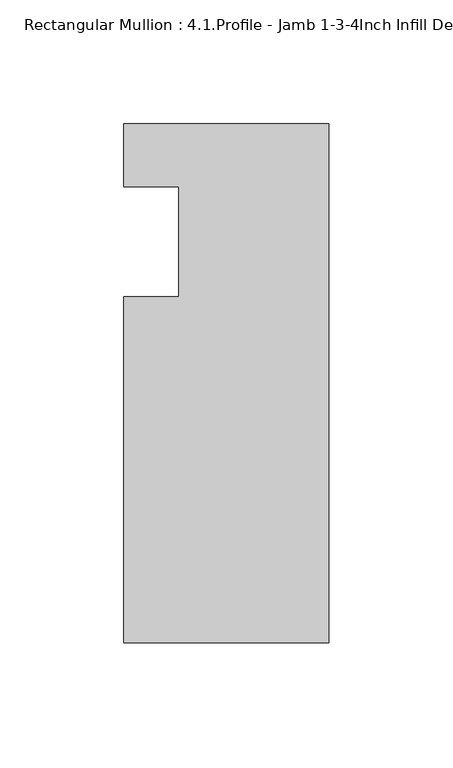
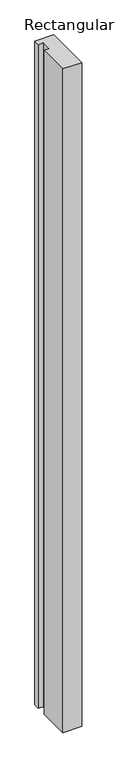
"""IFC4 building model written with IfcOpenShell, lengths in millimetres: member geometry, Rectangular Mullion : 4.1.Profile - Jamb 1-3-4Inch Infill Detail-7."""

from ifc_helpers import new_model, si_unit, frame, origin, place, context, project, spatial, polyline, outline, extrude, source, transform, mapped, element, save


def rectangular_mullion_4_1_profile_jamb_1_3_4inch_infill_detail_9fda1258(model_context):
    return source(origin(), model_context, "Body", "SweptSolid", [
        extrude(outline(polyline([(-82.7668749, -88.9), (-82.7668749, 50.8623436), (-60.5419882, 50.8623436), (-60.5419882, 95.3123436), (-82.7668734, 95.3123436), (-82.7668734, 120.7123436), (0.0, 120.7123436), (0.0, -88.9), (-82.7668749, -88.9)])), frame((0.0, 0.0, -3048.0), z_axis=(0.0, 0.0, 1.0), x_axis=(1.0, 0.0, 0.0)), (0.0, 0.0, 1.0), 3048.0),
    ])


if __name__ == "__main__":
    model = new_model("IFC4")
    model_context = context("Model", 3, world=origin())
    ifc_project = project(units=[si_unit("LENGTHUNIT", "METRE", prefix="MILLI")], contexts=[model_context])
    site = spatial("IfcSite", under=ifc_project)
    building = spatial("IfcBuilding", under=site)
    placement = place(None, origin())
    rectangular_mullion_4_1_profile_jamb_1_3_4inch_infill_detail_shape = rectangular_mullion_4_1_profile_jamb_1_3_4inch_infill_detail_9fda1258(model_context)
    element("IfcMember", 1, ObjectType="Rectangular Mullion : 4.1.Profile - Jamb 1-3-4Inch Infill Detail-7", at=placement, inside=building, context=model_context, shape_type="MappedRepresentation", body=[
        mapped(rectangular_mullion_4_1_profile_jamb_1_3_4inch_infill_detail_shape, transform((0.0, 0.0, 0.0), x_axis=(1.0, 0.0, 0.0), y_axis=(0.0, 1.0, 0.0), z_axis=(0.0, 0.0, 1.0))),
    ])
    save(model, "model.ifc")
